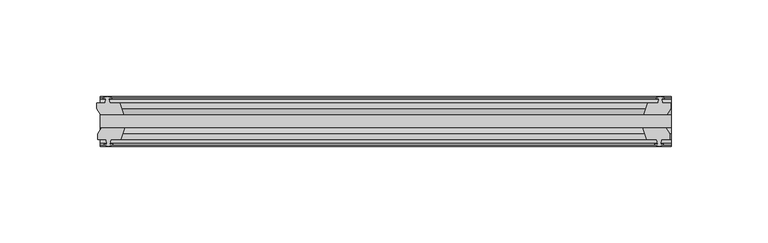
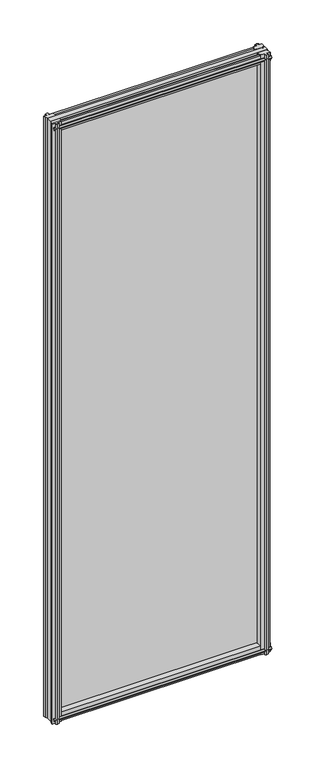
"""IFC4 building model written with IfcOpenShell, lengths in millimetres: plate geometry."""

from ifc_helpers import new_model, si_unit, frame, origin, place, context, project, spatial, polyline, outline, extrude, source, transform, mapped, element, save


def plate_2cd959ec(model_context):
    return source(origin(), model_context, "Body", "SweptSolid", [
        extrude(outline(polyline([(-146.9244331, -19.5460937), (149.0080269, -19.5460937), (149.0080269, -25.8960937), (-146.9244331, -25.8960937), (-146.9244331, -19.5460937)])), frame((0.0, 0.0, -12.7), z_axis=(0.0, 0.0, 1.0), x_axis=(1.0, 0.0, 0.0)), (0.0, 0.0, 1.0), 863.6),
        extrude(outline(polyline([(146.0333306, -25.8960937), (148.2460269, -29.2996938), (148.2460269, -32.2460938), (143.8010269, -32.2460938), (143.4200269, -34.6262907), (144.8355559, -34.1663575), (144.8355559, -34.9675717), (142.6580269, -35.6750938), (140.4804978, -34.9675717), (140.4804978, -34.1663575), (141.8960269, -34.6262907), (141.5150269, -32.2460938), (136.3080269, -32.2460938), (134.2027498, -25.8960937), (146.0333306, -25.8960937)])), frame((0.0, 0.0, -12.7), z_axis=(0.0, 0.0, 1.0), x_axis=(1.0, 0.0, 0.0)), (0.0, 0.0, 1.0), 863.6),
        extrude(outline(polyline([(141.0011978, -10.4746158), (143.1787269, -9.7670938), (145.3562559, -10.4746158), (145.3562559, -11.27583), (143.9407269, -10.8158968), (144.3217269, -13.1960938), (148.7667269, -13.1960938), (148.7667269, -16.1424938), (146.5540306, -19.5460937), (134.7234498, -19.5460937), (136.8287269, -13.1960938), (142.0357269, -13.1960938), (142.4167269, -10.8158968), (141.0011978, -11.27583), (141.0011978, -10.4746158)])), frame((0.0, 0.0, -12.7), z_axis=(0.0, 0.0, 1.0), x_axis=(1.0, 0.0, 0.0)), (0.0, 0.0, 1.0), 863.6),
        extrude(outline(polyline([(-134.2027498, -25.8960937), (-136.3080269, -32.2460937), (-141.5150269, -32.2460937), (-141.8960269, -34.6262907), (-140.4804978, -34.1663575), (-140.4804978, -34.9675717), (-142.6580269, -35.6750937), (-144.8355559, -34.9675717), (-144.8355559, -34.1663575), (-143.4200269, -34.6262907), (-143.8010269, -32.2460937), (-148.2460269, -32.2460937), (-148.2460269, -29.2996937), (-146.0333306, -25.8960937), (-134.2027498, -25.8960937)])), frame((0.0, 0.0, -12.7), z_axis=(0.0, 0.0, 1.0), x_axis=(1.0, 0.0, 0.0)), (0.0, 0.0, 1.0), 863.6),
        extrude(outline(polyline([(-143.9407269, -10.8158968), (-145.3562559, -11.27583), (-145.3562559, -10.4746158), (-143.1787269, -9.7670937), (-141.0011978, -10.4746158), (-141.0011978, -11.27583), (-142.4167269, -10.8158968), (-142.0357269, -13.1960937), (-136.8287269, -13.1960937), (-134.7234498, -19.5460937), (-146.5540306, -19.5460937), (-148.7667269, -16.1424937), (-148.7667269, -13.1960937), (-144.3217269, -13.1960937), (-143.9407269, -10.8158968)])), frame((0.0, 0.0, -12.7), z_axis=(0.0, 0.0, 1.0), x_axis=(1.0, 0.0, 0.0)), (0.0, 0.0, 1.0), 863.6),
        extrude(outline(polyline([(-13.1960937, 850.6587), (-13.1960937, 846.2137), (-10.8158968, 845.8327), (-11.27583, 847.248229), (-10.4746158, 847.248229), (-9.7670937, 845.0707), (-10.4746158, 842.8931709), (-11.27583, 842.8931709), (-10.8158968, 844.3087), (-13.1960937, 843.9277), (-13.1960937, 838.7207), (-19.5460937, 836.6154229), (-19.5460937, 848.4460038), (-16.1424937, 850.6587), (-13.1960937, 850.6587)])), frame((-146.9244331, 0.0, 0.0), z_axis=(1.0, 0.0, 0.0), x_axis=(0.0, 1.0, 0.0)), (0.0, 0.0, 1.0), 295.93246),
        extrude(outline(polyline([(-29.2996937, 850.138), (-25.8960937, 847.9253038), (-25.8960937, 836.0947229), (-32.2460937, 838.2), (-32.2460937, 843.407), (-34.6262907, 843.788), (-34.1663575, 842.3724709), (-34.9675717, 842.3724709), (-35.6750937, 844.55), (-34.9675717, 846.7275291), (-34.1663575, 846.7275291), (-34.6262907, 845.312), (-32.2460937, 845.693), (-32.2460937, 850.138), (-29.2996937, 850.138)])), frame((-146.9244331, 0.0, 0.0), z_axis=(1.0, 0.0, 0.0), x_axis=(0.0, 1.0, 0.0)), (0.0, 0.0, 1.0), 295.93246),
        extrude(outline(polyline([(-25.8960937, 2.1052771), (-25.8960937, -9.7253038), (-29.2996937, -11.938), (-32.2460937, -11.938), (-32.2460937, -7.493), (-34.6262907, -7.112), (-34.1663575, -8.5275291), (-34.9675717, -8.5275291), (-35.6750937, -6.35), (-34.9675717, -4.1724709), (-34.1663575, -4.1724709), (-34.6262907, -5.588), (-32.2460937, -5.207), (-32.2460937, 0.0), (-25.8960937, 2.1052771)])), frame((-146.9244331, 0.0, 0.0), z_axis=(1.0, 0.0, 0.0), x_axis=(0.0, 1.0, 0.0)), (0.0, 0.0, 1.0), 295.93246),
        extrude(outline(polyline([(-19.5460937, 1.5845771), (-13.1960937, -0.5207), (-13.1960937, -5.7277), (-10.8158968, -6.1087), (-11.27583, -4.6931709), (-10.4746158, -4.6931709), (-9.7670937, -6.8707), (-10.4746158, -9.048229), (-11.27583, -9.048229), (-10.8158968, -7.6327), (-13.1960937, -8.0137), (-13.1960937, -12.4587), (-16.1424937, -12.4587), (-19.5460937, -10.2460038), (-19.5460937, 1.5845771)])), frame((-146.9244331, 0.0, 0.0), z_axis=(1.0, 0.0, 0.0), x_axis=(0.0, 1.0, 0.0)), (0.0, 0.0, 1.0), 295.93246),
    ])


if __name__ == "__main__":
    model = new_model("IFC4")
    model_context = context("Model", 3, world=origin())
    ifc_project = project(units=[si_unit("LENGTHUNIT", "METRE", prefix="MILLI")], contexts=[model_context])
    site = spatial("IfcSite", under=ifc_project)
    building = spatial("IfcBuilding", under=site)
    placement = place(None, origin())
    plate_shape = plate_2cd959ec(model_context)
    element("IfcPlate", 1, at=placement, inside=building, context=model_context, shape_type="MappedRepresentation", body=[
        mapped(plate_shape, transform((0.0, 0.0, 0.0), x_axis=(1.0, 0.0, 0.0), y_axis=(0.0, 1.0, 0.0), z_axis=(0.0, 0.0, 1.0))),
    ])
    save(model, "model.ifc")
